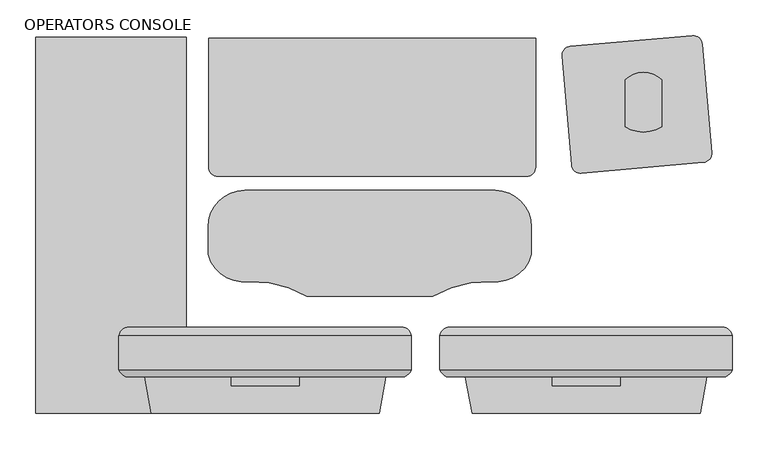
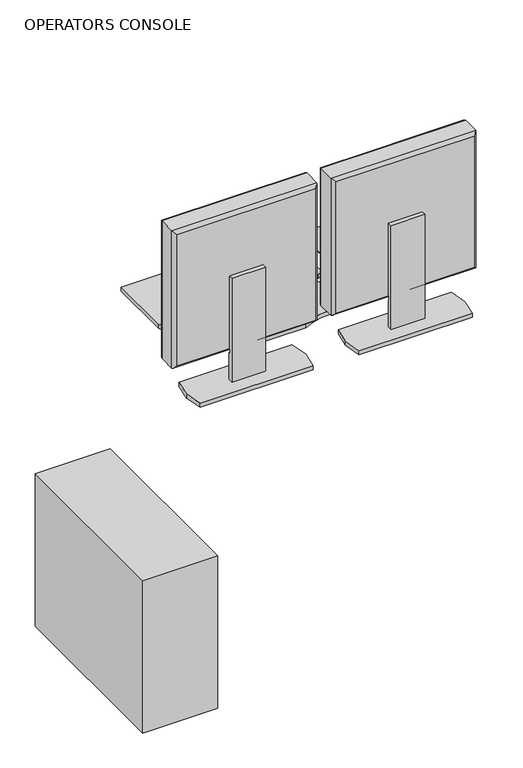
"""IFC4 building model written with IfcOpenShell, lengths in millimetres: proxy geometry, OPERATORS CONSOLE."""

from ifc_helpers import new_model, si_unit, point, frame, frame_2d, origin, origin_with_axes, place, context, project, spatial, polyline, circle_curve, ellipse_curve, trimmed, segment, composite_curve, outline, extrude, source, transform, mapped, element, save
from ifc_brep_helpers import plane_surface, cylinder_surface, advanced_brep


def operators_console_d7bdbf84(model_context):
    return source(origin(), model_context, "Body", "SolidModel", [
        advanced_brep(
        [(84.867805, 136.491636, 1419.86), (493.807805, 136.491636, 1419.86), (493.807805, 179.6223166, 1419.86), (493.807805, 184.6193594, 1419.86), (84.867805, 184.6193594, 1419.86), (84.867805, 179.6223166, 1419.86), (493.807805, 136.491636, 1010.2963264), (84.867805, 136.491636, 1010.2963264), (84.867805, 179.6223166, 1010.2963264), (84.867805, 184.6193594, 1010.2963264), (493.807805, 184.6193594, 1010.2963264), (493.807805, 179.6223166, 1010.2963264), (94.105441, 127.254, 1019.5339624), (484.5701691, 127.254, 1019.5339624), (484.5701691, 127.254, 1410.622364), (94.105441, 127.254, 1410.622364), (99.033236, 196.5036769, 1405.6958394), (479.642374, 196.5036769, 1405.6958394), (479.6436444, 196.5036769, 1024.4617574), (99.033236, 196.5036769, 1024.460487)],
        [
            (0, 1),
            (1, 2),
            (2, 3),
            (3, 4),
            (4, 5),
            (5, 0),
            (6, 7),
            (7, 8),
            (8, 9),
            (9, 10),
            (10, 11),
            (11, 6),
            (12, 13),
            (13, 14),
            (14, 15),
            (15, 12),
            (4, 9),
            (7, 0),
            (16, 17),
            (17, 18),
            (18, 19),
            (19, 16),
            (1, 6),
            (10, 3),
            (15, 0, ellipse_curve(frame((100.9824933, 143.3686883, 1403.7453117), z_axis=(-0.7071067811865498, 0.0, -0.7071067811865452), x_axis=(0.7071067811865452, 0.0, -0.7071067811865498)), 24.7780962, 17.5207599)),
            (7, 12, ellipse_curve(frame((100.9824933, 143.3686883, 1026.4110147), z_axis=(-0.7071067811865452, 0.0, 0.7071067811865498), x_axis=(-0.7071067811865498, 0.0, -0.7071067811865452)), 24.7780962, 17.5207599)),
            (19, 9, ellipse_curve(frame((99.0319657, 182.120838, 1024.460487), z_axis=(-0.7071067811865452, 0.0, 0.7071067811865498), x_axis=(-0.7071067811865498, 0.0, -0.7071067811865452)), 20.3404059, 14.3828389)),
            (4, 16, ellipse_curve(frame((99.0319657, 182.120838, 1405.6958394), z_axis=(-0.7071067811865498, 0.0, -0.7071067811865452), x_axis=(0.7071067811865452, 0.0, -0.7071067811865498)), 20.3404059, 14.3828389)),
            (6, 13, ellipse_curve(frame((477.6931168, 143.3686883, 1026.4110147), z_axis=(-0.7071067811865498, 0.0, -0.7071067811865452), x_axis=(0.7071067811865452, 0.0, -0.7071067811865497)), 24.7780962, 17.5207599)),
            (18, 10, ellipse_curve(frame((479.6436444, 182.120838, 1024.460487), z_axis=(-0.7071067811865498, 0.0, -0.7071067811865452), x_axis=(0.7071067811865452, 0.0, -0.7071067811865497)), 20.3404059, 14.3828389)),
            (1, 14, ellipse_curve(frame((477.6931168, 143.3686883, 1403.7453117), z_axis=(0.7071067811865452, 0.0, -0.7071067811865498), x_axis=(0.7071067811865498, 0.0, 0.7071067811865452)), 24.7780962, 17.5207599)),
            (17, 3, ellipse_curve(frame((479.6436444, 182.120838, 1405.6958394), z_axis=(0.7071067811865452, 0.0, -0.7071067811865498), x_axis=(0.7071067811865498, 0.0, 0.7071067811865452)), 20.3404059, 14.3828389)),
        ],
        [
            plane_surface(frame((89.947805, 127.254, 1419.86), z_axis=(0.0, 0.0, 1.0), x_axis=(-1.0, 0.0, 0.0))),
            plane_surface(frame((89.947805, 127.254, 1010.2963264), z_axis=(0.0, 0.0, -1.0), x_axis=(1.0, 0.0, 0.0))),
            plane_surface(frame((493.807805, 127.254, 1419.86), z_axis=(0.0, -1.0, 0.0), x_axis=(0.0, 0.0, -1.0))),
            plane_surface(frame((84.867805, 127.254, 1419.86), z_axis=(-1.0, 0.0, 0.0), x_axis=(0.0, 0.0, -1.0))),
            plane_surface(frame((84.867805, 196.5036769, 1419.86), z_axis=(0.0, 1.0, 0.0), x_axis=(0.0, 0.0, -1.0))),
            plane_surface(frame((493.807805, 196.5036769, 1419.86), z_axis=(1.0, 0.0, 0.0), x_axis=(0.0, 0.0, -1.0))),
            cylinder_surface(frame((100.9824933, 143.3686883, 1419.86), z_axis=(0.0, 0.0, -1.0), x_axis=(0.0, -1.0, 0.0)), 17.5207599),
            cylinder_surface(frame((99.0319657, 182.120838, 1419.86), z_axis=(0.0, 0.0, -1.0), x_axis=(0.0, -1.0, 0.0)), 14.3828389),
            cylinder_surface(frame((84.867805, 143.3686883, 1026.4110147), z_axis=(1.0, 0.0, 0.0), x_axis=(0.0, -1.0, 0.0)), 17.5207599),
            cylinder_surface(frame((84.867805, 182.120838, 1024.460487), z_axis=(1.0, 0.0, 0.0), x_axis=(0.0, -1.0, 0.0)), 14.3828389),
            cylinder_surface(frame((477.6931168, 143.3686883, 1010.2963264), z_axis=(0.0, 0.0, 1.0), x_axis=(0.0, -1.0, 0.0)), 17.5207599),
            cylinder_surface(frame((479.6436444, 182.120838, 1010.2963264), z_axis=(0.0, 0.0, 1.0), x_axis=(0.0, -1.0, 0.0)), 14.3828389),
            cylinder_surface(frame((493.807805, 143.3686883, 1403.7453117), z_axis=(-1.0, 0.0, 0.0), x_axis=(0.0, -1.0, 0.0)), 17.5207599),
            cylinder_surface(frame((493.807805, 182.120838, 1405.6958394), z_axis=(-1.0, 0.0, 0.0), x_axis=(0.0, -1.0, 0.0)), 14.3828389),
        ],
        [
            (0, [[1, 2, 3, 4, 5, 6]]),
            (1, [[7, 8, 9, 10, 11, 12]]),
            (2, [[13, 14, 15, 16]]),
            (3, [[-5, 17, -9, -8, 18, -6]]),
            (4, [[19, 20, 21, 22]]),
            (5, [[23, -12, -11, 24, -3, -2]]),
            (6, [[-16, 25, -18, 26]]),
            (7, [[-22, 27, -17, 28]]),
            (8, [[-7, 29, -13, -26]]),
            (9, [[-10, -27, -21, 30]]),
            (10, [[-23, 31, -14, -29]]),
            (11, [[-24, -30, -20, 32]]),
            (12, [[-15, -31, -1, -25]]),
            (13, [[-4, -32, -19, -28]]),
        ],
    ),
        extrude(outline(polyline([(110.267805, 190.5898978), (110.267805, 196.5036769), (468.407805, 196.5036769), (468.407805, 190.5898978), (110.267805, 190.5898978)])), frame((0.0, 0.0, 1035.6963264), z_axis=(0.0, 0.0, 1.0), x_axis=(1.0, 0.0, 0.0)), (0.0, 0.0, 1.0), 358.7636736),
        extrude(outline(polyline([(127.254, 1236.2794056), (127.254, 1019.5339624), (124.5167676, 1019.5339624), (124.5167676, 1006.8339624), (127.254, 1006.8339624), (127.254, 926.6153731), (114.5728288, 926.6153731), (114.5728288, 1236.2794056), (127.254, 1236.2794056)])), frame((241.712805, 0.0, 0.0), z_axis=(1.0, 0.0, 0.0), x_axis=(0.0, 1.0, 0.0)), (0.0, 0.0, 1.0), 95.25),
        extrude(outline(polyline([(120.681805, 127.254), (129.825805, 178.308), (448.849805, 178.308), (457.993805, 127.254), (448.849805, 76.2), (129.825805, 76.2), (120.681805, 127.254)])), frame((0.0, 0.0, 914.4), z_axis=(0.0, 0.0, 1.0), x_axis=(1.0, 0.0, 0.0)), (0.0, 0.0, 1.0), 12.2153731),
        advanced_brep(
        [(-363.982, 136.491636, 1419.86), (44.958, 136.491636, 1419.86), (44.958, 179.6223166, 1419.86), (44.958, 184.6193594, 1419.86), (-363.982, 184.6193594, 1419.86), (-363.982, 179.6223166, 1419.86), (44.958, 136.491636, 1010.2963264), (-363.982, 136.491636, 1010.2963264), (-363.982, 179.6223166, 1010.2963264), (-363.982, 184.6193594, 1010.2963264), (44.958, 184.6193594, 1010.2963264), (44.958, 179.6223166, 1010.2963264), (-354.744364, 127.254, 1019.5339624), (35.720364, 127.254, 1019.5339624), (35.720364, 127.254, 1410.622364), (-354.744364, 127.254, 1410.622364), (-349.816569, 196.5036769, 1405.6958394), (30.792569, 196.5036769, 1405.6958394), (30.7938394, 196.5036769, 1024.4617574), (-349.816569, 196.5036769, 1024.460487)],
        [
            (0, 1),
            (1, 2),
            (2, 3),
            (3, 4),
            (4, 5),
            (5, 0),
            (6, 7),
            (7, 8),
            (8, 9),
            (9, 10),
            (10, 11),
            (11, 6),
            (12, 13),
            (13, 14),
            (14, 15),
            (15, 12),
            (4, 9),
            (7, 0),
            (16, 17),
            (17, 18),
            (18, 19),
            (19, 16),
            (1, 6),
            (10, 3),
            (15, 0, ellipse_curve(frame((-347.8673117, 143.3686883, 1403.7453117), z_axis=(-0.7071067811865498, 0.0, -0.7071067811865452), x_axis=(0.7071067811865452, 0.0, -0.7071067811865498)), 24.7780962, 17.5207599)),
            (7, 12, ellipse_curve(frame((-347.8673117, 143.3686883, 1026.4110147), z_axis=(-0.7071067811865452, 0.0, 0.7071067811865498), x_axis=(-0.7071067811865498, 0.0, -0.7071067811865452)), 24.7780962, 17.5207599)),
            (19, 9, ellipse_curve(frame((-349.8178394, 182.120838, 1024.460487), z_axis=(-0.7071067811865452, 0.0, 0.7071067811865498), x_axis=(-0.7071067811865498, 0.0, -0.7071067811865452)), 20.3404059, 14.3828389)),
            (4, 16, ellipse_curve(frame((-349.8178394, 182.120838, 1405.6958394), z_axis=(-0.7071067811865498, 0.0, -0.7071067811865452), x_axis=(0.7071067811865452, 0.0, -0.7071067811865498)), 20.3404059, 14.3828389)),
            (6, 13, ellipse_curve(frame((28.8433117, 143.3686883, 1026.4110147), z_axis=(-0.7071067811865498, 0.0, -0.7071067811865452), x_axis=(0.7071067811865452, 0.0, -0.7071067811865497)), 24.7780962, 17.5207599)),
            (18, 10, ellipse_curve(frame((30.7938394, 182.120838, 1024.460487), z_axis=(-0.7071067811865498, 0.0, -0.7071067811865452), x_axis=(0.7071067811865452, 0.0, -0.7071067811865497)), 20.3404059, 14.3828389)),
            (1, 14, ellipse_curve(frame((28.8433117, 143.3686883, 1403.7453117), z_axis=(0.7071067811865452, 0.0, -0.7071067811865498), x_axis=(0.7071067811865498, 0.0, 0.7071067811865452)), 24.7780962, 17.5207599)),
            (17, 3, ellipse_curve(frame((30.7938394, 182.120838, 1405.6958394), z_axis=(0.7071067811865452, 0.0, -0.7071067811865498), x_axis=(0.7071067811865498, 0.0, 0.7071067811865452)), 20.3404059, 14.3828389)),
        ],
        [
            plane_surface(frame((-358.902, 127.254, 1419.86), z_axis=(0.0, 0.0, 1.0), x_axis=(-1.0, 0.0, 0.0))),
            plane_surface(frame((-358.902, 127.254, 1010.2963264), z_axis=(0.0, 0.0, -1.0), x_axis=(1.0, 0.0, 0.0))),
            plane_surface(frame((44.958, 127.254, 1419.86), z_axis=(0.0, -1.0, 0.0), x_axis=(0.0, 0.0, -1.0))),
            plane_surface(frame((-363.982, 127.254, 1419.86), z_axis=(-1.0, 0.0, 0.0), x_axis=(0.0, 0.0, -1.0))),
            plane_surface(frame((-363.982, 196.5036769, 1419.86), z_axis=(0.0, 1.0, 0.0), x_axis=(0.0, 0.0, -1.0))),
            plane_surface(frame((44.958, 196.5036769, 1419.86), z_axis=(1.0, 0.0, 0.0), x_axis=(0.0, 0.0, -1.0))),
            cylinder_surface(frame((-347.8673117, 143.3686883, 1419.86), z_axis=(0.0, 0.0, -1.0), x_axis=(0.0, -1.0, 0.0)), 17.5207599),
            cylinder_surface(frame((-349.8178394, 182.120838, 1419.86), z_axis=(0.0, 0.0, -1.0), x_axis=(0.0, -1.0, 0.0)), 14.3828389),
            cylinder_surface(frame((-363.982, 143.3686883, 1026.4110147), z_axis=(1.0, 0.0, 0.0), x_axis=(0.0, -1.0, 0.0)), 17.5207599),
            cylinder_surface(frame((-363.982, 182.120838, 1024.460487), z_axis=(1.0, 0.0, 0.0), x_axis=(0.0, -1.0, 0.0)), 14.3828389),
            cylinder_surface(frame((28.8433117, 143.3686883, 1010.2963264), z_axis=(0.0, 0.0, 1.0), x_axis=(0.0, -1.0, 0.0)), 17.5207599),
            cylinder_surface(frame((30.7938394, 182.120838, 1010.2963264), z_axis=(0.0, 0.0, 1.0), x_axis=(0.0, -1.0, 0.0)), 14.3828389),
            cylinder_surface(frame((44.958, 143.3686883, 1403.7453117), z_axis=(-1.0, 0.0, 0.0), x_axis=(0.0, -1.0, 0.0)), 17.5207599),
            cylinder_surface(frame((44.958, 182.120838, 1405.6958394), z_axis=(-1.0, 0.0, 0.0), x_axis=(0.0, -1.0, 0.0)), 14.3828389),
        ],
        [
            (0, [[1, 2, 3, 4, 5, 6]]),
            (1, [[7, 8, 9, 10, 11, 12]]),
            (2, [[13, 14, 15, 16]]),
            (3, [[-5, 17, -9, -8, 18, -6]]),
            (4, [[19, 20, 21, 22]]),
            (5, [[23, -12, -11, 24, -3, -2]]),
            (6, [[-16, 25, -18, 26]]),
            (7, [[-22, 27, -17, 28]]),
            (8, [[-7, 29, -13, -26]]),
            (9, [[-10, -27, -21, 30]]),
            (10, [[-23, 31, -14, -29]]),
            (11, [[-24, -30, -20, 32]]),
            (12, [[-15, -31, -1, -25]]),
            (13, [[-4, -32, -19, -28]]),
        ],
    ),
        extrude(outline(polyline([(-338.582, 190.5898978), (-338.582, 196.5036769), (19.558, 196.5036769), (19.558, 190.5898978), (-338.582, 190.5898978)])), frame((0.0, 0.0, 1035.6963264), z_axis=(0.0, 0.0, 1.0), x_axis=(1.0, 0.0, 0.0)), (0.0, 0.0, 1.0), 358.7636736),
        extrude(outline(polyline([(127.254, 1236.2794056), (127.254, 1019.5339624), (124.5167676, 1019.5339624), (124.5167676, 1006.8339624), (127.254, 1006.8339624), (127.254, 926.6153731), (114.5728288, 926.6153731), (114.5728288, 1236.2794056), (127.254, 1236.2794056)])), frame((-207.137, 0.0, 0.0), z_axis=(1.0, 0.0, 0.0), x_axis=(0.0, 1.0, 0.0)), (0.0, 0.0, 1.0), 95.25),
        extrude(outline(polyline([(-480.3729933, 601.98), (-269.5529933, 601.98), (-269.5529933, 76.2), (-480.3729933, 76.2), (-480.3729933, 601.98)])), origin_with_axes(), (0.0, 0.0, 1.0), 454.66),
        extrude(outline(composite_curve([segment(polyline([(-188.3957152, 387.7073388), (162.1242848, 387.7073388)]), True, "CONTINUOUS"), segment(trimmed(circle_curve(frame_2d((162.1242848, 336.9073388)), 50.8), [point((162.1242848, 387.7073388))], [point((212.9242848, 336.9073388))], False, "CARTESIAN"), True, "CONTINUOUS"), segment(polyline([(212.9242848, 336.9073388), (212.9242848, 298.0826862)]), True, "CONTINUOUS"), segment(trimmed(circle_curve(frame_2d((162.9275744, 311.5124251)), 51.7689959), [point((212.9242848, 298.0826862))], [point((155.8926662, 260.2236446))], False, "CARTESIAN"), True, "CONTINUOUS"), segment(trimmed(circle_curve(frame_2d((151.9207577, 105.2358731)), 155.0386577), [point((155.8926662, 260.2236446))], [point((75.0101819, 239.8529178))], True, "CARTESIAN"), True, "CONTINUOUS"), segment(trimmed(circle_curve(frame_2d((-13.1357152, 1092.2236316)), 856.9162929), [point((75.0101819, 239.8529178))], [point((-101.2816124, 239.8529178))], False, "CARTESIAN"), True, "CONTINUOUS"), segment(trimmed(circle_curve(frame_2d((-178.1921881, 105.2358731)), 155.0386577), [point((-101.2816124, 239.8529178))], [point((-182.1640967, 260.2236446))], True, "CARTESIAN"), True, "CONTINUOUS"), segment(trimmed(circle_curve(frame_2d((-189.1990049, 311.5124251)), 51.7689959), [point((-182.1640967, 260.2236446))], [point((-239.1957152, 298.0826862))], False, "CARTESIAN"), True, "CONTINUOUS"), segment(polyline([(-239.1957152, 298.0826862), (-239.1957152, 336.9073388)]), True, "CONTINUOUS"), segment(trimmed(circle_curve(frame_2d((-188.3957152, 336.9073388)), 50.8), [point((-239.1957152, 336.9073388))], [point((-188.3957152, 387.7073388))], False, "CARTESIAN"), True, "CONTINUOUS")], self_intersect=False)), frame((0.0, 0.0, 914.4), z_axis=(0.0, 0.0, 1.0), x_axis=(1.0, 0.0, 0.0)), (0.0, 0.0, 1.0), 12.2153731),
        extrude(outline(composite_curve([segment(polyline([(268.9999238, 423.4058579), (255.7173886, 575.2259299)]), True, "CONTINUOUS"), segment(trimmed(circle_curve(frame_2d((268.3690613, 576.3328078)), 12.7), [point((255.7173886, 575.2259299))], [point((267.2621834, 588.9844805))], False, "CARTESIAN"), True, "CONTINUOUS"), segment(polyline([(267.2621834, 588.9844805), (438.0597644, 603.9273326)]), True, "CONTINUOUS"), segment(trimmed(circle_curve(frame_2d((439.1666423, 591.2756599)), 12.7), [point((438.0597644, 603.9273326))], [point((451.818315, 592.3825378))], False, "CARTESIAN"), True, "CONTINUOUS"), segment(polyline([(451.818315, 592.3825378), (465.1008502, 440.5624658)]), True, "CONTINUOUS"), segment(trimmed(circle_curve(frame_2d((452.4491775, 439.4555879)), 12.7), [point((465.1008502, 440.5624658))], [point((453.5560554, 426.8039153))], False, "CARTESIAN"), True, "CONTINUOUS"), segment(polyline([(453.5560554, 426.8039153), (282.7584744, 411.8610632)]), True, "CONTINUOUS"), segment(trimmed(circle_curve(frame_2d((281.6515965, 424.5127358)), 12.7), [point((282.7584744, 411.8610632))], [point((268.9999238, 423.4058579))], False, "CARTESIAN"), True, "CONTINUOUS")], self_intersect=False)), frame((0.0, 0.0, 914.4), z_axis=(0.0, 0.0, 1.0), x_axis=(1.0, 0.0, 0.0)), (0.0, 0.0, 1.0), 2.9133962),
        extrude(outline(composite_curve([segment(polyline([(394.9942809, 542.2406657), (394.9942809, 476.945319)]), True, "CONTINUOUS"), segment(trimmed(circle_curve(frame_2d((369.5942809, 515.1227321)), 45.8549329), [point((394.9942809, 476.945319))], [point((344.1942809, 476.945319))], False, "CARTESIAN"), True, "CONTINUOUS"), segment(polyline([(344.1942809, 476.945319), (344.1942809, 542.2406657)]), True, "CONTINUOUS"), segment(trimmed(circle_curve(frame_2d((369.5942809, 517.3693638)), 35.5491443), [point((344.1942809, 542.2406657))], [point((394.9942809, 542.2406657))], False, "CARTESIAN"), True, "CONTINUOUS")], self_intersect=False)), frame((0.0, 0.0, 917.3133962), z_axis=(0.0, 0.0, 1.0), x_axis=(1.0, 0.0, 0.0)), (0.0, 0.0, 1.0), 9.3019768),
        extrude(outline(polyline([(-328.168, 127.254), (-319.024, 178.308), (0.0, 178.308), (9.144, 127.254), (0.0, 76.2), (-319.024, 76.2), (-328.168, 127.254)])), frame((0.0, 0.0, 914.4), z_axis=(0.0, 0.0, 1.0), x_axis=(1.0, 0.0, 0.0)), (0.0, 0.0, 1.0), 12.2153731),
        extrude(outline(composite_curve([segment(polyline([(-238.4227996, 420.272695), (-238.4227996, 600.3435701)]), True, "CONTINUOUS"), segment(trimmed(circle_curve(frame_2d((-9.8227996, -1699.9107469)), 2311.5855777), [point((-238.4227996, 600.3435701))], [point((218.7772004, 600.3435701))], False, "CARTESIAN"), True, "CONTINUOUS"), segment(polyline([(218.7772004, 600.3435701), (218.7772004, 420.272695)]), True, "CONTINUOUS"), segment(trimmed(circle_curve(frame_2d((206.0772004, 420.272695)), 12.7), [point((218.7772004, 420.272695))], [point((206.0772004, 407.572695))], False, "CARTESIAN"), True, "CONTINUOUS"), segment(polyline([(206.0772004, 407.572695), (-225.7227996, 407.572695)]), True, "CONTINUOUS"), segment(trimmed(circle_curve(frame_2d((-225.7227996, 420.272695)), 12.7), [point((-225.7227996, 407.572695))], [point((-238.4227996, 420.272695))], False, "CARTESIAN"), True, "CONTINUOUS")], self_intersect=False)), frame((0.0, 0.0, 914.4), z_axis=(0.0, 0.0, 1.0), x_axis=(1.0, 0.0, 0.0)), (0.0, 0.0, 1.0), 12.2153731),
    ])


if __name__ == "__main__":
    model = new_model("IFC4")
    model_context = context("Model", 3, world=origin())
    ifc_project = project(units=[si_unit("LENGTHUNIT", "METRE", prefix="MILLI")], contexts=[model_context])
    site = spatial("IfcSite", under=ifc_project)
    building = spatial("IfcBuilding", under=site)
    placement = place(None, origin())
    operators_console_shape = operators_console_d7bdbf84(model_context)
    element("IfcBuildingElementProxy", 1, Name="OPERATORS CONSOLE", ObjectType="OPERATORS CONSOLE", at=placement, inside=building, context=model_context, shape_type="MappedRepresentation", body=[
        mapped(operators_console_shape, transform((0.0, 0.0, 0.0), x_axis=(1.0, 0.0, 0.0), y_axis=(0.0, 1.0, 0.0), z_axis=(0.0, 0.0, 1.0))),
    ])
    save(model, "model.ifc")
